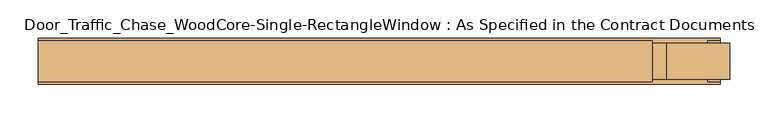
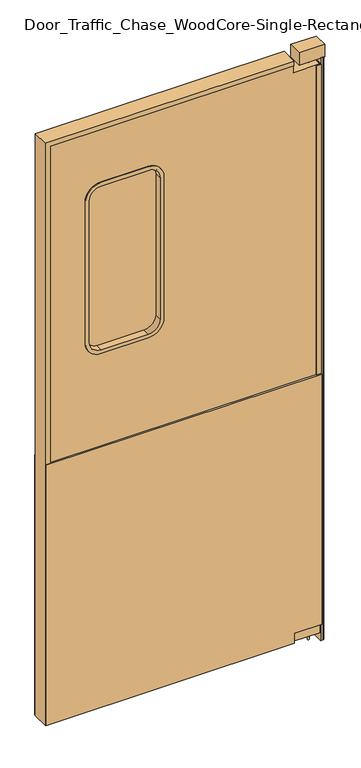
"""IFC4 building model written with IfcOpenShell, lengths in millimetres: door geometry, Door_Traffic_Chase_WoodCore-Single-RectangleWindow : As Specified in the Contract Documents."""

from ifc_helpers import new_model, si_unit, point, frame, frame_2d, origin, origin_with_axes, place, context, project, spatial, polyline, circle_curve, trimmed, segment, composite_curve, outline, extrude, faceted_brep, source, transform, mapped, element, save
from ifc_brep_helpers import plane_surface, cylinder_surface, revolved_surface, advanced_brep


def door_traffic_chase_woodcore_single_rectanglewindow_as_55d1127f(model_context):
    return source(origin(), model_context, "Body", "SolidModel", [
        extrude(outline(composite_curve([segment(trimmed(circle_curve(frame_2d((440.7412977, -17.4625)), 3.175), [point((443.9162977, -17.4625))], [point((437.5662977, -17.4625))], False, "CARTESIAN"), True, "CONTINUOUS"), segment(trimmed(circle_curve(frame_2d((440.7412977, -17.4625)), 3.175), [point((437.5662977, -17.4625))], [point((443.9162977, -17.4625))], False, "CARTESIAN"), True, "CONTINUOUS")], self_intersect=False)), frame((0.0, 0.0, 1971.675), z_axis=(0.0, 0.0, 1.0), x_axis=(1.0, 0.0, 0.0)), (0.0, 0.0, 1.0), 19.05),
        extrude(outline(composite_curve([segment(trimmed(circle_curve(frame_2d((440.7412977, -17.4625)), 3.175), [point((437.5662977, -17.4625))], [point((443.9162977, -17.4625))], False, "CARTESIAN"), True, "CONTINUOUS"), segment(trimmed(circle_curve(frame_2d((440.7412977, -17.4625)), 3.175), [point((443.9162977, -17.4625))], [point((437.5662977, -17.4625))], False, "CARTESIAN"), True, "CONTINUOUS")], self_intersect=False)), origin_with_axes(), (0.0, 0.0, 1.0), 28.575),
        extrude(outline(composite_curve([segment(trimmed(circle_curve(frame_2d((1285.875, -241.3)), 41.275), [point((1285.875, -282.575))], [point((1244.6, -241.3))], False, "CARTESIAN"), True, "CONTINUOUS"), segment(polyline([(1244.6, -241.3), (1244.6, -95.25)]), True, "CONTINUOUS"), segment(trimmed(circle_curve(frame_2d((1285.875, -95.25)), 41.275), [point((1244.6, -95.25))], [point((1285.875, -53.975))], False, "CARTESIAN"), True, "CONTINUOUS"), segment(polyline([(1285.875, -53.975), (1762.125, -53.975)]), True, "CONTINUOUS"), segment(trimmed(circle_curve(frame_2d((1762.125, -95.25)), 41.275), [point((1762.125, -53.975))], [point((1803.4, -95.25))], False, "CARTESIAN"), True, "CONTINUOUS"), segment(polyline([(1803.4, -95.25), (1803.4, -241.3)]), True, "CONTINUOUS"), segment(trimmed(circle_curve(frame_2d((1762.125, -241.3)), 41.275), [point((1803.4, -241.3))], [point((1762.125, -282.575))], False, "CARTESIAN"), True, "CONTINUOUS"), segment(polyline([(1762.125, -282.575), (1285.875, -282.575)]), True, "CONTINUOUS")], self_intersect=False)), frame((0.0, -20.6375, 0.0), z_axis=(0.0, 1.0, 0.0), x_axis=(0.0, 0.0, 1.0)), (0.0, 0.0, 1.0), 6.35),
        faceted_brep([(377.825, -41.275, 28.575), (377.825, -41.275, 41.275), (377.825, -44.45, 41.275), (377.825, -44.45, 25.4), (377.825, 9.525, 25.4), (377.825, 9.525, 41.275), (377.825, 6.35, 41.275), (377.825, 6.35, 28.575), (-422.275, -41.275, 28.575), (-422.275, -41.275, 2009.775), (377.825, -41.275, 2009.775), (377.825, -41.275, 1997.075), (-409.575, -41.275, 1997.075), (-409.575, -41.275, 41.275), (-409.575, -44.45, 41.275), (-409.575, -44.45, 1997.075), (377.825, -44.45, 1997.075), (377.825, -44.45, 2012.95), (-425.45, -44.45, 2012.95), (-425.45, -44.45, 25.4), (-425.45, 9.525, 25.4), (-425.45, 9.525, 2012.95), (377.825, 9.525, 2012.95), (377.825, 9.525, 1997.075), (-409.575, 9.525, 1997.075), (-409.575, 9.525, 41.275), (-409.575, 6.35, 41.275), (-409.575, 6.35, 1997.075), (377.825, 6.35, 1997.075), (377.825, 6.35, 2009.775), (-422.275, 6.35, 2009.775), (-422.275, 6.35, 28.575)], [[[0, 1, 2, 3, 4, 5, 6, 7]], [[1, 0, 8, 9, 10, 11, 12, 13]], [[2, 1, 13, 14]], [[3, 2, 14, 15, 16, 17, 18, 19]], [[4, 3, 19, 20]], [[5, 4, 20, 21, 22, 23, 24, 25]], [[6, 5, 25, 26]], [[7, 6, 26, 27, 28, 29, 30, 31]], [[0, 7, 31, 8]], [[13, 12, 15, 14]], [[19, 18, 21, 20]], [[25, 24, 27, 26]], [[9, 8, 31, 30]], [[11, 10, 29, 28, 23, 22, 17, 16]], [[12, 11, 16, 15]], [[18, 17, 22, 21]], [[24, 23, 28, 27]], [[10, 9, 30, 29]]]),
        extrude(outline(polyline([(2009.775, 377.825), (2009.775, -422.275), (28.575, -422.275), (28.575, 377.825), (60.325, 377.825), (60.325, 463.55), (1971.675, 463.55), (1971.675, 377.825), (2009.775, 377.825)]), holes=[composite_curve([segment(polyline([(1285.875, -285.75), (1762.125, -285.75)]), True, "CONTINUOUS"), segment(trimmed(circle_curve(frame_2d((1762.125, -241.3)), 44.45), [point((1762.125, -285.75))], [point((1806.575, -241.3))], True, "CARTESIAN"), True, "CONTINUOUS"), segment(polyline([(1806.575, -241.3), (1806.575, -95.25)]), True, "CONTINUOUS"), segment(trimmed(circle_curve(frame_2d((1762.125, -95.25)), 44.45), [point((1806.575, -95.25))], [point((1762.125, -50.8))], True, "CARTESIAN"), True, "CONTINUOUS"), segment(polyline([(1762.125, -50.8), (1285.875, -50.8)]), True, "CONTINUOUS"), segment(trimmed(circle_curve(frame_2d((1285.875, -95.25)), 44.45), [point((1285.875, -50.8))], [point((1241.425, -95.25))], True, "CARTESIAN"), True, "CONTINUOUS"), segment(polyline([(1241.425, -95.25), (1241.425, -241.3)]), True, "CONTINUOUS"), segment(trimmed(circle_curve(frame_2d((1285.875, -241.3)), 44.45), [point((1241.425, -241.3))], [point((1285.875, -285.75))], True, "CARTESIAN"), True, "CONTINUOUS")], self_intersect=False)]), frame((0.0, -41.275, 0.0), z_axis=(0.0, 1.0, 0.0), x_axis=(0.0, 0.0, 1.0)), (0.0, 0.0, 1.0), 47.625),
        extrude(outline(polyline([(25.4, 377.825), (60.325, 377.825), (60.325, 466.725), (914.4, 466.725), (914.4, -425.45), (25.4, -425.45), (25.4, 377.825)])), frame((0.0, 6.35, 0.0), z_axis=(0.0, 1.0, 0.0), x_axis=(0.0, 0.0, 1.0)), (0.0, 0.0, 1.0), 6.35),
        extrude(outline(polyline([(25.4, 377.825), (60.325, 377.825), (60.325, 466.725), (914.4, 466.725), (914.4, -425.45), (25.4, -425.45), (25.4, 377.825)])), frame((0.0, -47.625, 0.0), z_axis=(0.0, 1.0, 0.0), x_axis=(0.0, 0.0, 1.0)), (0.0, 0.0, 1.0), 6.35),
        advanced_brep(
        [(-50.8, 6.35, 1765.3), (-92.075, 6.35, 1806.575), (-92.075, -41.275, 1806.575), (-50.8, -41.275, 1765.3), (-41.275, 9.525, 1765.3), (-92.075, 9.525, 1816.1), (-92.075, 6.35, 1816.1), (-41.275, 6.35, 1765.3), (-53.975, -44.45, 1765.3), (-92.075, -44.45, 1803.4), (-92.075, 9.525, 1803.4), (-53.975, 9.525, 1765.3), (-41.275, -41.275, 1765.3), (-92.075, -41.275, 1816.1), (-92.075, -44.45, 1816.1), (-41.275, -44.45, 1765.3), (-50.8, -41.275, 1282.7), (-50.8, 6.35, 1282.7), (-41.275, 6.35, 1282.7), (-41.275, 9.525, 1282.7), (-53.975, 9.525, 1282.7), (-53.975, -44.45, 1282.7), (-41.275, -44.45, 1282.7), (-41.275, -41.275, 1282.7), (-92.075, 6.35, 1241.425), (-92.075, -41.275, 1241.425), (-92.075, 9.525, 1231.9), (-92.075, 6.35, 1231.9), (-92.075, -44.45, 1244.6), (-92.075, 9.525, 1244.6), (-92.075, -41.275, 1231.9), (-92.075, -44.45, 1231.9), (-244.475, -41.275, 1241.425), (-244.475, 6.35, 1241.425), (-244.475, 6.35, 1231.9), (-244.475, 9.525, 1231.9), (-244.475, 9.525, 1244.6), (-244.475, -44.45, 1244.6), (-244.475, -44.45, 1231.9), (-244.475, -41.275, 1231.9), (-285.75, 6.35, 1282.7), (-285.75, -41.275, 1282.7), (-295.275, 9.525, 1282.7), (-295.275, 6.35, 1282.7), (-282.575, -44.45, 1282.7), (-282.575, 9.525, 1282.7), (-295.275, -41.275, 1282.7), (-295.275, -44.45, 1282.7), (-285.75, -41.275, 1765.3), (-285.75, 6.35, 1765.3), (-295.275, 6.35, 1765.3), (-295.275, 9.525, 1765.3), (-282.575, 9.525, 1765.3), (-282.575, -44.45, 1765.3), (-295.275, -44.45, 1765.3), (-295.275, -41.275, 1765.3), (-244.475, 6.35, 1806.575), (-244.475, -41.275, 1806.575), (-244.475, 9.525, 1816.1), (-244.475, 6.35, 1816.1), (-244.475, -44.45, 1803.4), (-244.475, 9.525, 1803.4), (-244.475, -41.275, 1816.1), (-244.475, -44.45, 1816.1)],
        [
            (0, 1, circle_curve(frame((-92.075, 6.35, 1765.3), z_axis=(0.0, -1.0, 0.0), x_axis=(0.0, 0.0, 1.0)), 41.275)),
            (1, 2),
            (2, 3, circle_curve(frame((-92.075, -41.275, 1765.3), z_axis=(0.0, 1.0, 0.0), x_axis=(0.0, 0.0, 1.0)), 41.275)),
            (3, 0),
            (4, 5, circle_curve(frame((-92.075, 9.525, 1765.3), z_axis=(0.0, -1.0, 0.0), x_axis=(0.0, 0.0, 1.0)), 50.8)),
            (5, 6),
            (6, 7, circle_curve(frame((-92.075, 6.35, 1765.3), z_axis=(0.0, 1.0, 0.0), x_axis=(0.0, 0.0, 1.0)), 50.8)),
            (7, 4),
            (8, 9, circle_curve(frame((-92.075, -44.45, 1765.3), z_axis=(0.0, -1.0, 0.0), x_axis=(0.0, 0.0, 1.0)), 38.1)),
            (9, 10),
            (10, 11, circle_curve(frame((-92.075, 9.525, 1765.3), z_axis=(0.0, 1.0, 0.0), x_axis=(0.0, 0.0, 1.0)), 38.1)),
            (11, 8),
            (12, 13, circle_curve(frame((-92.075, -41.275, 1765.3), z_axis=(0.0, -1.0, 0.0), x_axis=(0.0, 0.0, 1.0)), 50.8)),
            (13, 14),
            (14, 15, circle_curve(frame((-92.075, -44.45, 1765.3), z_axis=(0.0, 1.0, 0.0), x_axis=(0.0, 0.0, 1.0)), 50.8)),
            (15, 12),
            (3, 16),
            (16, 17),
            (17, 0),
            (7, 18),
            (18, 19),
            (19, 4),
            (11, 20),
            (20, 21),
            (21, 8),
            (15, 22),
            (22, 23),
            (23, 12),
            (24, 17, circle_curve(frame((-92.075, 6.35, 1282.7), z_axis=(0.0, -1.0, 0.0), x_axis=(1.0, 0.0, 0.0)), 41.275)),
            (16, 25, circle_curve(frame((-92.075, -41.275, 1282.7), z_axis=(0.0, 1.0, 0.0), x_axis=(1.0, 0.0, 0.0)), 41.275)),
            (25, 24),
            (26, 19, circle_curve(frame((-92.075, 9.525, 1282.7), z_axis=(0.0, -1.0, 0.0), x_axis=(1.0, 0.0, 0.0)), 50.8)),
            (18, 27, circle_curve(frame((-92.075, 6.35, 1282.7), z_axis=(0.0, 1.0, 0.0), x_axis=(1.0, 0.0, 0.0)), 50.8)),
            (27, 26),
            (28, 21, circle_curve(frame((-92.075, -44.45, 1282.7), z_axis=(0.0, -1.0, 0.0), x_axis=(1.0, 0.0, 0.0)), 38.1)),
            (20, 29, circle_curve(frame((-92.075, 9.525, 1282.7), z_axis=(0.0, 1.0, 0.0), x_axis=(1.0, 0.0, 0.0)), 38.1)),
            (29, 28),
            (30, 23, circle_curve(frame((-92.075, -41.275, 1282.7), z_axis=(0.0, -1.0, 0.0), x_axis=(1.0, 0.0, 0.0)), 50.8)),
            (22, 31, circle_curve(frame((-92.075, -44.45, 1282.7), z_axis=(0.0, 1.0, 0.0), x_axis=(1.0, 0.0, 0.0)), 50.8)),
            (31, 30),
            (25, 32),
            (32, 33),
            (33, 24),
            (27, 34),
            (34, 35),
            (35, 26),
            (29, 36),
            (36, 37),
            (37, 28),
            (31, 38),
            (38, 39),
            (39, 30),
            (40, 33, circle_curve(frame((-244.475, 6.35, 1282.7), z_axis=(0.0, -1.0, 0.0), x_axis=(0.0, 0.0, -1.0)), 41.275)),
            (32, 41, circle_curve(frame((-244.475, -41.275, 1282.7), z_axis=(0.0, 1.0, 0.0), x_axis=(0.0, 0.0, -1.0)), 41.275)),
            (41, 40),
            (42, 35, circle_curve(frame((-244.475, 9.525, 1282.7), z_axis=(0.0, -1.0, 0.0), x_axis=(0.0, 0.0, -1.0)), 50.8)),
            (34, 43, circle_curve(frame((-244.475, 6.35, 1282.7), z_axis=(0.0, 1.0, 0.0), x_axis=(0.0, 0.0, -1.0)), 50.8)),
            (43, 42),
            (44, 37, circle_curve(frame((-244.475, -44.45, 1282.7), z_axis=(0.0, -1.0, 0.0), x_axis=(0.0, 0.0, -1.0)), 38.1)),
            (36, 45, circle_curve(frame((-244.475, 9.525, 1282.7), z_axis=(0.0, 1.0, 0.0), x_axis=(0.0, 0.0, -1.0)), 38.1)),
            (45, 44),
            (46, 39, circle_curve(frame((-244.475, -41.275, 1282.7), z_axis=(0.0, -1.0, 0.0), x_axis=(0.0, 0.0, -1.0)), 50.8)),
            (38, 47, circle_curve(frame((-244.475, -44.45, 1282.7), z_axis=(0.0, 1.0, 0.0), x_axis=(0.0, 0.0, -1.0)), 50.8)),
            (47, 46),
            (41, 48),
            (48, 49),
            (49, 40),
            (43, 50),
            (50, 51),
            (51, 42),
            (45, 52),
            (52, 53),
            (53, 44),
            (47, 54),
            (54, 55),
            (55, 46),
            (56, 49, circle_curve(frame((-244.475, 6.35, 1765.3), z_axis=(0.0, -1.0, 0.0), x_axis=(-1.0, 0.0, 0.0)), 41.275)),
            (48, 57, circle_curve(frame((-244.475, -41.275, 1765.3), z_axis=(0.0, 1.0, 0.0), x_axis=(-1.0, 0.0, 0.0)), 41.275)),
            (57, 56),
            (58, 51, circle_curve(frame((-244.475, 9.525, 1765.3), z_axis=(0.0, -1.0, 0.0), x_axis=(-1.0, 0.0, 0.0)), 50.8)),
            (50, 59, circle_curve(frame((-244.475, 6.35, 1765.3), z_axis=(0.0, 1.0, 0.0), x_axis=(-1.0, 0.0, 0.0)), 50.8)),
            (59, 58),
            (60, 53, circle_curve(frame((-244.475, -44.45, 1765.3), z_axis=(0.0, -1.0, 0.0), x_axis=(-1.0, 0.0, 0.0)), 38.1)),
            (52, 61, circle_curve(frame((-244.475, 9.525, 1765.3), z_axis=(0.0, 1.0, 0.0), x_axis=(-1.0, 0.0, 0.0)), 38.1)),
            (61, 60),
            (62, 55, circle_curve(frame((-244.475, -41.275, 1765.3), z_axis=(0.0, -1.0, 0.0), x_axis=(-1.0, 0.0, 0.0)), 50.8)),
            (54, 63, circle_curve(frame((-244.475, -44.45, 1765.3), z_axis=(0.0, 1.0, 0.0), x_axis=(-1.0, 0.0, 0.0)), 50.8)),
            (63, 62),
            (57, 2),
            (1, 56),
            (6, 59),
            (5, 58),
            (10, 61),
            (9, 60),
            (14, 63),
            (13, 62),
        ],
        [
            cylinder_surface(frame((-92.075, -17.4625, 1765.3), z_axis=(0.0, 1.0, 0.0), x_axis=(0.0, 0.0, 1.0)), 41.275),
            cylinder_surface(frame((-92.075, -17.4625, 1765.3), z_axis=(0.0, 1.0, 0.0), x_axis=(0.0, 0.0, 1.0)), 50.8),
            revolved_surface(polyline([(-92.075, 9.524999999999999, 1803.3999999999999), (-92.075, -44.45, 1803.3999999999999)]), (-92.075, -17.4625, 1765.3), (0.0, 1.0, 0.0)),
            plane_surface(frame((-50.8, -41.275, 1765.3), z_axis=(1.0, 0.0, 0.0), x_axis=(0.0, 0.0, -1.0))),
            plane_surface(frame((-41.275, 6.35, 1765.3), z_axis=(1.0, 0.0, 0.0), x_axis=(0.0, 0.0, -1.0))),
            plane_surface(frame((-53.975, 9.525, 1765.3), z_axis=(-1.0, 0.0, 0.0), x_axis=(0.0, 0.0, -1.0))),
            plane_surface(frame((-41.275, -44.45, 1765.3), z_axis=(1.0, 0.0, 0.0), x_axis=(0.0, 0.0, -1.0))),
            cylinder_surface(frame((-92.075, -17.4625, 1282.7), z_axis=(0.0, 1.0, 0.0), x_axis=(1.0, 0.0, 0.0)), 41.275),
            cylinder_surface(frame((-92.075, -17.4625, 1282.7), z_axis=(0.0, 1.0, 0.0), x_axis=(1.0, 0.0, 0.0)), 50.8),
            revolved_surface(polyline([(-53.975, 9.524999999999999, 1282.7), (-53.975, -44.45, 1282.7)]), (-92.075, -17.4625, 1282.7), (0.0, 1.0, 0.0)),
            plane_surface(frame((-92.075, -41.275, 1241.425), z_axis=(0.0, 0.0, -1.0), x_axis=(-1.0, 0.0, 0.0))),
            plane_surface(frame((-92.075, 6.35, 1231.9), z_axis=(0.0, 0.0, -1.0), x_axis=(-1.0, 0.0, 0.0))),
            plane_surface(frame((-92.075, 9.525, 1244.6), z_axis=(0.0, 0.0, 1.0), x_axis=(-1.0, 0.0, 0.0))),
            plane_surface(frame((-92.075, -44.45, 1231.9), z_axis=(0.0, 0.0, -1.0), x_axis=(-1.0, 0.0, 0.0))),
            cylinder_surface(frame((-244.475, -17.4625, 1282.7), z_axis=(0.0, 1.0, 0.0), x_axis=(0.0, 0.0, -1.0)), 41.275),
            cylinder_surface(frame((-244.475, -17.4625, 1282.7), z_axis=(0.0, 1.0, 0.0), x_axis=(0.0, 0.0, -1.0)), 50.8),
            revolved_surface(polyline([(-244.475, 9.524999999999999, 1244.6000000000001), (-244.475, -44.45, 1244.6000000000001)]), (-244.475, -17.4625, 1282.7), (0.0, 1.0, 0.0)),
            plane_surface(frame((-285.75, -41.275, 1282.7), z_axis=(-1.0, 0.0, 0.0), x_axis=(0.0, 0.0, 1.0))),
            plane_surface(frame((-295.275, 6.35, 1282.7), z_axis=(-1.0, 0.0, 0.0), x_axis=(0.0, 0.0, 1.0))),
            plane_surface(frame((-282.575, 9.525, 1282.7), z_axis=(1.0, 0.0, 0.0), x_axis=(0.0, 0.0, 1.0))),
            plane_surface(frame((-295.275, -44.45, 1282.7), z_axis=(-1.0, 0.0, 0.0), x_axis=(0.0, 0.0, 1.0))),
            cylinder_surface(frame((-244.475, -17.4625, 1765.3), z_axis=(0.0, 1.0, 0.0), x_axis=(-1.0, 0.0, 0.0)), 41.275),
            cylinder_surface(frame((-244.475, -17.4625, 1765.3), z_axis=(0.0, 1.0, 0.0), x_axis=(-1.0, 0.0, 0.0)), 50.8),
            revolved_surface(polyline([(-282.575, 9.524999999999999, 1765.3), (-282.575, -44.45, 1765.3)]), (-244.475, -17.4625, 1765.3), (0.0, 1.0, 0.0)),
            plane_surface(frame((-244.475, -41.275, 1806.575), z_axis=(0.0, 0.0, 1.0), x_axis=(1.0, 0.0, 0.0))),
            plane_surface(frame((-244.475, 6.35, 1806.575), z_axis=(0.0, -1.0, 0.0), x_axis=(1.0, 0.0, 0.0))),
            plane_surface(frame((-244.475, 6.35, 1816.1), z_axis=(0.0, 0.0, 1.0), x_axis=(1.0, 0.0, 0.0))),
            plane_surface(frame((-244.475, 9.525, 1816.1), z_axis=(0.0, 1.0, 0.0), x_axis=(1.0, 0.0, 0.0))),
            plane_surface(frame((-244.475, 9.525, 1803.4), z_axis=(0.0, 0.0, -1.0), x_axis=(1.0, 0.0, 0.0))),
            plane_surface(frame((-244.475, -44.45, 1803.4), z_axis=(0.0, -1.0, 0.0), x_axis=(1.0, 0.0, 0.0))),
            plane_surface(frame((-244.475, -44.45, 1816.1), z_axis=(0.0, 0.0, 1.0), x_axis=(1.0, 0.0, 0.0))),
            plane_surface(frame((-244.475, -41.275, 1816.1), z_axis=(0.0, 1.0, 0.0), x_axis=(1.0, 0.0, 0.0))),
        ],
        [
            (0, [[1, 2, 3, 4]]),
            (1, [[5, 6, 7, 8]]),
            (2, [[9, 10, 11, 12]]),
            (1, [[13, 14, 15, 16]]),
            (3, [[-4, 17, 18, 19]]),
            (4, [[-8, 20, 21, 22]]),
            (5, [[-12, 23, 24, 25]]),
            (6, [[-16, 26, 27, 28]]),
            (7, [[29, -18, 30, 31]]),
            (8, [[32, -21, 33, 34]]),
            (9, [[35, -24, 36, 37]]),
            (8, [[38, -27, 39, 40]]),
            (10, [[-31, 41, 42, 43]]),
            (11, [[-34, 44, 45, 46]]),
            (12, [[-37, 47, 48, 49]]),
            (13, [[-40, 50, 51, 52]]),
            (14, [[53, -42, 54, 55]]),
            (15, [[56, -45, 57, 58]]),
            (16, [[59, -48, 60, 61]]),
            (15, [[62, -51, 63, 64]]),
            (17, [[-55, 65, 66, 67]]),
            (18, [[-58, 68, 69, 70]]),
            (19, [[-61, 71, 72, 73]]),
            (20, [[-64, 74, 75, 76]]),
            (21, [[77, -66, 78, 79]]),
            (22, [[80, -69, 81, 82]]),
            (23, [[83, -72, 84, 85]]),
            (22, [[86, -75, 87, 88]]),
            (24, [[-79, 89, -2, 90]]),
            (25, [[91, -81, -68, -57, -44, -33, -20, -7], [-67, -77, -90, -1, -19, -29, -43, -53]]),
            (26, [[-82, -91, -6, 92]]),
            (27, [[-70, -80, -92, -5, -22, -32, -46, -56], [93, -84, -71, -60, -47, -36, -23, -11]]),
            (28, [[-85, -93, -10, 94]]),
            (29, [[95, -87, -74, -63, -50, -39, -26, -15], [-73, -83, -94, -9, -25, -35, -49, -59]]),
            (30, [[-88, -95, -14, 96]]),
            (31, [[-76, -86, -96, -13, -28, -38, -52, -62], [-89, -78, -65, -54, -41, -30, -17, -3]]),
        ],
    ),
        extrude(outline(polyline([(463.55, -41.275), (463.55, 6.35), (450.85, 6.35), (450.85, 9.525), (466.725, 9.525), (466.725, -44.45), (450.85, -44.45), (450.85, -41.275), (463.55, -41.275)])), frame((0.0, 0.0, 60.325), z_axis=(0.0, 0.0, 1.0), x_axis=(1.0, 0.0, 0.0)), (0.0, 0.0, 1.0), 1911.35),
        extrude(outline(composite_curve([segment(polyline([(466.725, 6.35), (473.075, 6.35)]), True, "CONTINUOUS"), segment(trimmed(circle_curve(frame_2d((473.075, 0.0)), 6.35), [point((473.075, 6.35))], [point((479.425, 0.0))], False, "CARTESIAN"), True, "CONTINUOUS"), segment(polyline([(479.425, 0.0), (479.425, -34.925)]), True, "CONTINUOUS"), segment(trimmed(circle_curve(frame_2d((473.075, -34.925)), 6.35), [point((479.425, -34.925))], [point((473.075, -41.275))], False, "CARTESIAN"), True, "CONTINUOUS"), segment(polyline([(473.075, -41.275), (466.725, -41.275), (466.725, 6.35)]), True, "CONTINUOUS")], self_intersect=False)), origin_with_axes(), (0.0, 0.0, 1.0), 1990.725),
        extrude(outline(polyline([(479.425, 6.35), (479.425, -41.275), (396.875, -41.275), (396.875, 6.35), (479.425, 6.35)])), frame((0.0, 0.0, 1990.725), z_axis=(0.0, 0.0, 1.0), x_axis=(1.0, 0.0, 0.0)), (0.0, 0.0, 1.0), 41.275),
        extrude(outline(polyline([(463.55, 6.35), (463.55, -41.275), (377.825, -41.275), (377.825, 6.35), (463.55, 6.35)])), frame((0.0, 0.0, 28.575), z_axis=(0.0, 0.0, 1.0), x_axis=(1.0, 0.0, 0.0)), (0.0, 0.0, 1.0), 31.75),
    ])


if __name__ == "__main__":
    model = new_model("IFC4")
    model_context = context("Model", 3, world=origin())
    ifc_project = project(units=[si_unit("LENGTHUNIT", "METRE", prefix="MILLI")], contexts=[model_context])
    site = spatial("IfcSite", under=ifc_project)
    building = spatial("IfcBuilding", under=site)
    placement = place(None, origin())
    door_traffic_chase_woodcore_single_rectanglewindow_as_shape = door_traffic_chase_woodcore_single_rectanglewindow_as_55d1127f(model_context)
    element("IfcDoor", 1, ObjectType="Door_Traffic_Chase_WoodCore-Single-RectangleWindow : As Specified in the Contract Documents", at=placement, inside=building, context=model_context, shape_type="MappedRepresentation", body=[
        mapped(door_traffic_chase_woodcore_single_rectanglewindow_as_shape, transform((0.0, 0.0, 0.0), x_axis=(1.0, 0.0, 0.0), y_axis=(0.0, 1.0, 0.0), z_axis=(0.0, 0.0, 1.0))),
    ])
    save(model, "model.ifc")
